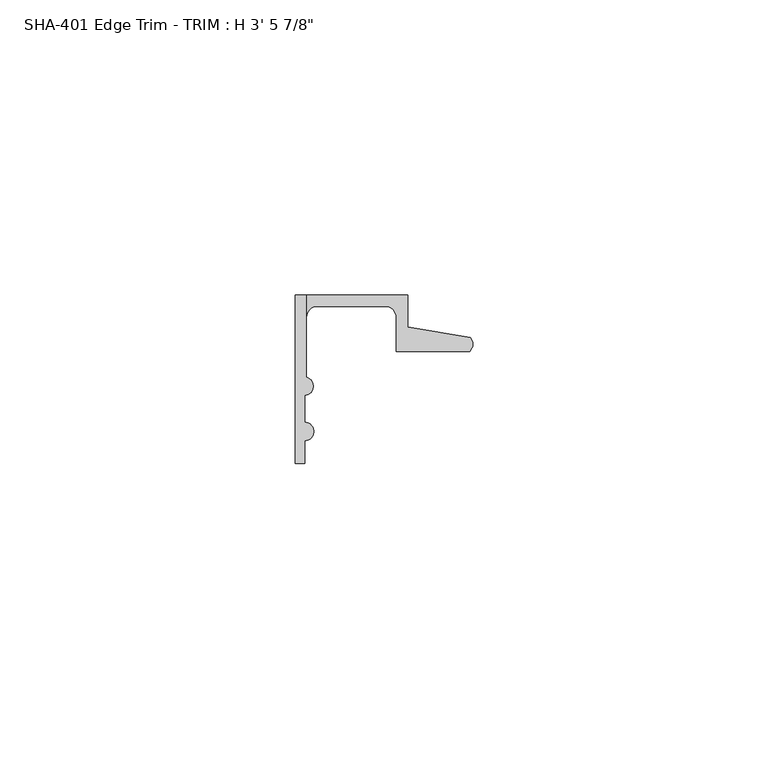
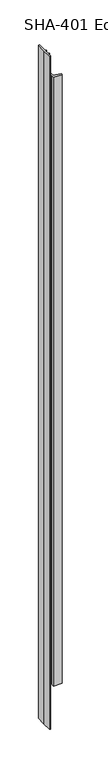
"""IFC4 building model written with IfcOpenShell, lengths in millimetres: proxy geometry."""

from ifc_helpers import new_model, si_unit, frame, origin, place, context, project, spatial, polyline, circle_curve, source, transform, mapped, element, save
from ifc_brep_helpers import plane_surface, cylinder_surface, revolved_surface, advanced_brep


def proxy_921dbdb5(model_context):
    return source(origin(), model_context, "Body", "AdvancedBrep", [
        advanced_brep(
        [(0.0, 0.0, 1063.625), (0.0, -13.8696178, 1063.625), (0.0, -28.575, 1063.625), (1.5748, -28.575, 1063.625), (1.5748, -24.7045919, 1063.625), (1.5748, -21.5549919, 1063.625), (1.5748, -17.018, 1063.625), (1.905, -13.9230434, 1063.625), (1.905, 0.0, 1063.625), (1.905, 0.0, 0.0), (1.905, -13.9230434, 0.0), (1.5748, -17.018, 0.0), (1.5748, -21.5549919, 0.0), (1.5748, -24.7045919, 0.0), (1.5748, -28.575, 0.0), (0.0, -28.575, 0.0), (0.0, -13.8696178, 0.0), (0.0, 0.0, 0.0), (1.905, 0.0, 1012.825), (1.905, -3.81, 1012.825), (3.81, -1.905, 1012.825), (15.2146, -1.905, 1012.825), (17.1196, -3.81, 1012.825), (17.1196, -9.525, 1012.825), (29.5346031, -9.525, 1012.825), (29.6006869, -7.2036308, 1012.825), (19.0246, -5.392657, 1012.825), (19.0246, 0.0, 1012.825), (1.905, -3.81, 50.8), (1.905, 0.0, 50.8), (19.0246, 0.0, 50.8), (19.0246, -5.392657, 50.8), (29.6006869, -7.2036308, 50.8), (29.5346031, -9.525, 50.8), (17.1196, -9.525, 50.8), (17.1196, -3.81, 50.8), (15.2146, -1.905, 50.8), (3.81, -1.905, 50.8)],
        [
            (0, 1),
            (1, 2),
            (2, 3),
            (3, 4),
            (4, 5, circle_curve(frame((1.5748, -23.1297919, 1063.625), z_axis=(0.0, 0.0, 1.0), x_axis=(0.0, 1.0, 0.0)), 1.5748)),
            (5, 6),
            (6, 7, circle_curve(frame((1.4838146, -15.4432, 1063.625), z_axis=(0.0, 0.0, 1.0), x_axis=(0.0, 1.0, 0.0)), 1.5774262)),
            (7, 8),
            (8, 0),
            (9, 10),
            (10, 11, circle_curve(frame((1.4838146, -15.4432, 0.0), z_axis=(0.0, 0.0, -1.0), x_axis=(0.0, 1.0, 0.0)), 1.5774262)),
            (11, 12),
            (12, 13, circle_curve(frame((1.5748, -23.1297919, 0.0), z_axis=(0.0, 0.0, -1.0), x_axis=(0.0, 1.0, 0.0)), 1.5748)),
            (13, 14),
            (14, 15),
            (15, 16),
            (16, 17),
            (17, 9),
            (18, 19),
            (19, 20, circle_curve(frame((3.81, -3.81, 1012.825), z_axis=(0.0, 0.0, -1.0), x_axis=(0.0, 1.0, 0.0)), 1.905)),
            (20, 21),
            (21, 22, circle_curve(frame((15.2146, -3.81, 1012.825), z_axis=(0.0, 0.0, -1.0), x_axis=(0.0, 1.0, 0.0)), 1.905)),
            (22, 23),
            (23, 24),
            (24, 25, circle_curve(frame((28.4438454, -8.3323235, 1012.825), z_axis=(0.0, 0.0, 1.0), x_axis=(0.0, 1.0, 0.0)), 1.6162393)),
            (25, 26),
            (26, 27),
            (27, 18),
            (28, 29),
            (29, 30),
            (30, 31),
            (31, 32),
            (32, 33, circle_curve(frame((28.4438454, -8.3323235, 50.8), z_axis=(0.0, 0.0, -1.0), x_axis=(0.0, 1.0, 0.0)), 1.6162393)),
            (33, 34),
            (34, 35),
            (35, 36, circle_curve(frame((15.2146, -3.81, 50.8), z_axis=(0.0, 0.0, 1.0), x_axis=(0.0, 1.0, 0.0)), 1.905)),
            (36, 37),
            (37, 28, circle_curve(frame((3.81, -3.81, 50.8), z_axis=(0.0, 0.0, 1.0), x_axis=(0.0, 1.0, 0.0)), 1.905)),
            (25, 32),
            (31, 26),
            (30, 27),
            (17, 0),
            (8, 18),
            (29, 9),
            (16, 1),
            (15, 2),
            (14, 3),
            (13, 4),
            (12, 5),
            (11, 6),
            (10, 7),
            (28, 19),
            (37, 20),
            (36, 21),
            (35, 22),
            (34, 23),
            (33, 24),
        ],
        [
            plane_surface(frame((29.6006869, -7.2036308, 1063.625), z_axis=(0.0, 0.0, 1.0000000000000002), x_axis=(-0.9856543593991558, 0.16877643140391388, 0.0))),
            plane_surface(frame((29.6006869, -7.2036308, 0.0), z_axis=(0.0, 0.0, -1.0000000000000002), x_axis=(0.9856543593991558, -0.16877643140391388, 0.0))),
            plane_surface(frame((1.905, -9.525, 1012.825), z_axis=(0.0, 0.0, 1.0), x_axis=(0.0, 1.0, 0.0))),
            plane_surface(frame((30.1393415, -9.525, 50.8), z_axis=(0.0, 0.0, -1.0), x_axis=(0.0, 1.0, 0.0))),
            plane_surface(frame((29.6006869, -7.2036308, 1063.625), z_axis=(0.16877643140391388, 0.9856543593991558, 0.0), x_axis=(0.0, 0.0, -1.0))),
            plane_surface(frame((19.0246, -5.392657, 1063.625), z_axis=(1.0, 0.0, 0.0), x_axis=(0.0, 0.0, -1.0))),
            plane_surface(frame((19.0246, 0.0, 1063.625), z_axis=(0.0, 1.0, 0.0), x_axis=(0.0, 0.0, -1.0))),
            plane_surface(frame((0.0, 0.0, 1063.625), z_axis=(-1.0, 0.0, 0.0), x_axis=(0.0, 0.0, -1.0))),
            plane_surface(frame((0.0, -13.8696178, 1063.625), z_axis=(-1.0, 0.0, 0.0), x_axis=(0.0, 0.0, -1.0))),
            plane_surface(frame((0.0, -28.575, 1063.625), z_axis=(0.0, -1.0, 0.0), x_axis=(0.0, 0.0, -1.0))),
            plane_surface(frame((1.5748, -28.575, 1063.625), z_axis=(1.0, 0.0, 0.0), x_axis=(0.0, 0.0, -1.0))),
            cylinder_surface(frame((1.5748, -23.1297919, 0.0), z_axis=(0.0, 0.0, 1.0), x_axis=(0.0, 1.0, 0.0)), 1.5748),
            plane_surface(frame((1.5748, -21.5549919, 1063.625), z_axis=(1.0, 0.0, 0.0), x_axis=(0.0, 0.0, -1.0))),
            cylinder_surface(frame((1.4838146, -15.4432, 0.0), z_axis=(0.0, 0.0, 1.0), x_axis=(0.0, 1.0, 0.0)), 1.5774262),
            plane_surface(frame((1.905, -13.9230434, 1063.625), z_axis=(1.0, 0.0, 0.0), x_axis=(0.0, 0.0, -1.0))),
            revolved_surface(polyline([(3.81, -1.905, 50.8), (3.81, -1.905, 1012.825)]), (3.81, -3.81, 0.0), (0.0, 0.0, -1.0)),
            plane_surface(frame((3.81, -1.905, 1063.625), z_axis=(0.0, -1.0, 0.0), x_axis=(0.0, 0.0, -1.0))),
            revolved_surface(polyline([(15.2146, -1.905, 50.8), (15.2146, -1.905, 1012.825)]), (15.2146, -3.81, 0.0), (0.0, 0.0, -1.0)),
            plane_surface(frame((17.1196, -3.81, 1063.625), z_axis=(-1.0, 0.0, 0.0), x_axis=(0.0, 0.0, -1.0))),
            plane_surface(frame((17.1196, -9.525, 1063.625), z_axis=(0.0, -1.0, 0.0), x_axis=(0.0, 0.0, -1.0))),
            cylinder_surface(frame((28.4438454, -8.3323235, 0.0), z_axis=(0.0, 0.0, 1.0), x_axis=(0.0, 1.0, 0.0)), 1.6162393),
        ],
        [
            (0, [[1, 2, 3, 4, 5, 6, 7, 8, 9]]),
            (1, [[10, 11, 12, 13, 14, 15, 16, 17, 18]]),
            (2, [[19, 20, 21, 22, 23, 24, 25, 26, 27, 28]]),
            (3, [[29, 30, 31, 32, 33, 34, 35, 36, 37, 38]]),
            (4, [[39, -32, 40, -26]]),
            (5, [[-40, -31, 41, -27]]),
            (6, [[42, -9, 43, -28, -41, -30, 44, -18]]),
            (7, [[-1, -42, -17, 45]]),
            (8, [[-2, -45, -16, 46]]),
            (9, [[-3, -46, -15, 47]]),
            (10, [[-4, -47, -14, 48]]),
            (11, [[-5, -48, -13, 49]]),
            (12, [[-6, -49, -12, 50]]),
            (13, [[-7, -50, -11, 51]]),
            (14, [[-51, -10, -44, -29, 52, -19, -43, -8]]),
            (15, [[-52, -38, 53, -20]]),
            (16, [[-53, -37, 54, -21]]),
            (17, [[-54, -36, 55, -22]]),
            (18, [[-55, -35, 56, -23]]),
            (19, [[-56, -34, 57, -24]]),
            (20, [[-39, -25, -57, -33]]),
        ],
    ),
    ])


if __name__ == "__main__":
    model = new_model("IFC4")
    model_context = context("Model", 3, world=origin())
    ifc_project = project(units=[si_unit("LENGTHUNIT", "METRE", prefix="MILLI")], contexts=[model_context])
    site = spatial("IfcSite", under=ifc_project)
    building = spatial("IfcBuilding", under=site)
    placement = place(None, origin())
    proxy_shape = proxy_921dbdb5(model_context)
    element("IfcBuildingElementProxy", 1, Name="SHA-401 Edge Trim - TRIM : H 3' 5 7/8\"", ObjectType="SHA-401 Edge Trim - TRIM : H 3' 5 7/8\"", at=placement, inside=building, context=model_context, shape_type="MappedRepresentation", body=[
        mapped(proxy_shape, transform((0.0, 0.0, 0.0), x_axis=(1.0, 0.0, 0.0), y_axis=(0.0, 1.0, 0.0), z_axis=(0.0, 0.0, 1.0))),
    ])
    save(model, "model.ifc")
